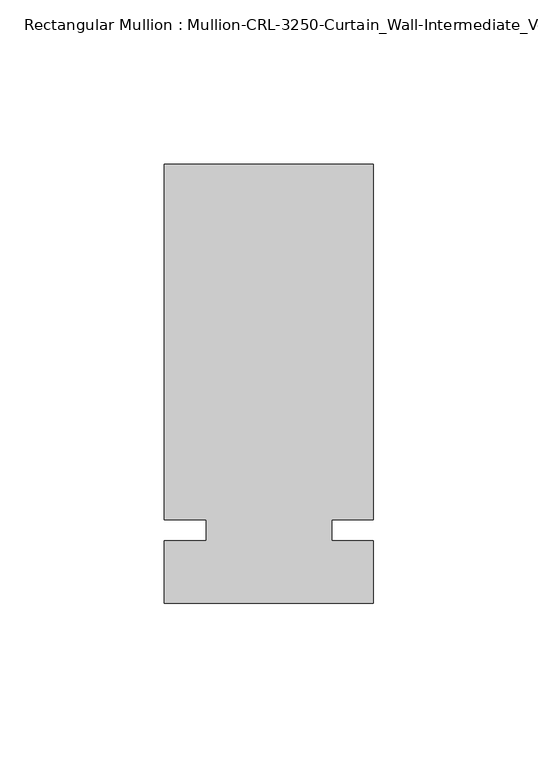
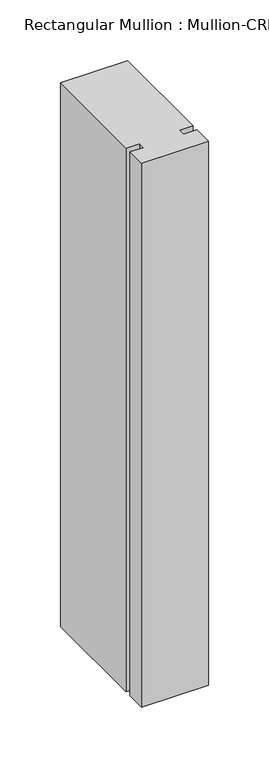
"""IFC4 building model written with IfcOpenShell, lengths in millimetres: member geometry."""

from ifc_helpers import new_model, si_unit, frame, origin, place, context, project, spatial, polyline, outline, extrude, source, transform, mapped, element, save


def member_58881a55(model_context):
    return source(origin(), model_context, "Body", "SweptSolid", [
        extrude(outline(polyline([(31.7499985, -3.175), (31.7499985, -22.2254168), (-31.7499985, -22.2254168), (-31.7499985, -3.175), (-19.0499985, -3.175), (-19.0499985, 3.175), (-31.7499985, 3.175), (-31.7499985, 111.1245832), (31.7499985, 111.1245832), (31.7499985, 3.175), (19.0499985, 3.175), (19.0499985, -3.175), (31.7499985, -3.175)])), frame((0.0, 0.0, -546.1000015), z_axis=(0.0, 0.0, 1.0), x_axis=(1.0, 0.0, 0.0)), (0.0, 0.0, 1.0), 546.1000015),
    ])


if __name__ == "__main__":
    model = new_model("IFC4")
    model_context = context("Model", 3, world=origin())
    ifc_project = project(units=[si_unit("LENGTHUNIT", "METRE", prefix="MILLI")], contexts=[model_context])
    site = spatial("IfcSite", under=ifc_project)
    building = spatial("IfcBuilding", under=site)
    placement = place(None, origin())
    member_shape = member_58881a55(model_context)
    element("IfcMember", 1, ObjectType="Rectangular Mullion : Mullion-CRL-3250-Curtain_Wall-Intermediate_Vertical-4\"", at=placement, inside=building, context=model_context, shape_type="MappedRepresentation", body=[
        mapped(member_shape, transform((0.0, 0.0, 0.0), x_axis=(1.0, 0.0, 0.0), y_axis=(0.0, 1.0, 0.0), z_axis=(0.0, 0.0, 1.0))),
    ])
    save(model, "model.ifc")
